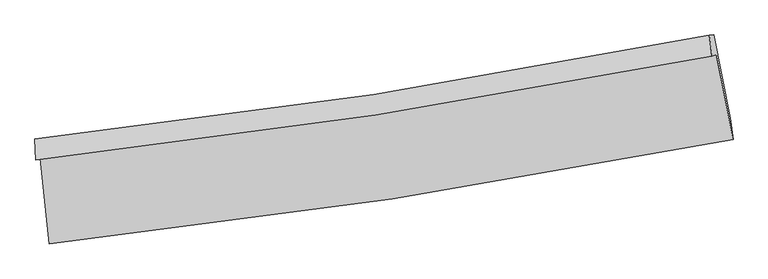
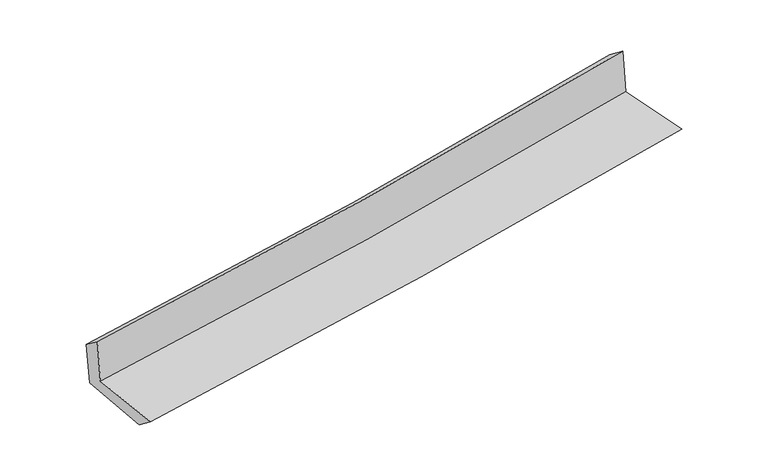
"""IFC4 building model written with IfcOpenShell, lengths in millimetres: proxy geometry."""

from ifc_helpers import new_model, si_unit, frame, origin, place, context, project, spatial, source, transform, mapped, element, save
from ifc_brep_helpers import plane_surface, spline_curve, spline_surface, advanced_brep


def generic_models_6c861321(model_context):
    return source(origin(), model_context, "Body", "AdvancedBrep", [
        advanced_brep(
        [(-2647.3760586, -1892.6438411, 1662.9977067), (-2577.0427878, -2553.9938935, 1649.6380121), (2722.9210808, -1742.2005071, 2115.3431774), (2593.7477459, -1084.6053257, 2123.656143), (-2680.5951324, -1904.173679, 2058.8789723), (2559.4709025, -1096.5022995, 2532.1431537), (-2687.28055, -1740.8241459, 1939.2861113), (2538.6523396, -933.2402587, 2408.6321487), (-2654.314984, -1739.5588898, 1558.6661981), (2574.0180703, -931.782968, 2010.7476847), (-2582.897582, -2393.0786452, 1523.4210467), (2702.6910872, -1576.7778435, 1980.5537963)],
        [
            (0, 1),
            (1, 2, spline_curve(3, [(-2577.0427878, -2553.9938935, 1649.6380121), (-1688.322919345, -2456.790812059, 1738.673141076), (-801.636557554, -2340.408967941, 1822.049457512), (965.005839886, -2069.695868036, 1977.250491627), (1844.974100751, -1915.479917025, 2049.109229943), (2722.9210808, -1742.2005071, 2115.3431774)], [4, 2, 4], [0.0, 8.7958920794811, 17.565303479097977])),
            (2, 3),
            (3, 0, spline_curve(3, [(2593.7477459, -1084.6053257, 2123.656143), (1727.244404288, -1254.710573798, 2047.223325362), (857.895153967, -1407.025087986, 1970.676757401), (-889.128900883, -1676.478866293, 1817.124633362), (-1766.820918622, -1793.510523719, 1740.118389087), (-2647.3760586, -1892.6438411, 1662.9977067)], [4, 2, 4], [0.0, 8.769411399616878, 17.565303479097977])),
            (4, 0),
            (3, 5),
            (5, 4, spline_curve(3, [(2559.4709025, -1096.5022995, 2532.1431537), (1692.932812697, -1266.619608007, 2456.124441231), (823.654043773, -1418.909659523, 2378.737924145), (-923.0180575, -1688.241279796, 2220.991470231), (-1800.427967036, -1805.175021653, 2140.623260075), (-2680.5951324, -1904.173679, 2058.8789723)], [4, 2, 4], [0.0, 8.720938432829175, 17.468211173427903])),
            (6, 4),
            (5, 7),
            (7, 6, spline_curve(3, [(2538.6523396, -933.2402587, 2408.6321487), (1675.472727666, -1106.898946057, 2330.820932326), (809.049942813, -1260.955087334, 2252.862340719), (-932.908070788, -1530.268281407, 2096.414553269), (-1808.462916055, -1645.406769356, 2017.924465515), (-2687.28055, -1740.8241459, 1939.2861113)], [4, 2, 4], [0.0, 8.709518998833541, 17.445337822577745])),
            (8, 6),
            (7, 9),
            (9, 8, spline_curve(3, [(2574.0180703, -931.782968, 2010.7476847), (1710.494405952, -1105.48023609, 1934.948922727), (843.699924732, -1259.571651252, 1859.432453044), (-899.057976383, -1528.948876619, 1708.736916786), (-1775.041180263, -1644.116102105, 1633.559557418), (-2654.314984, -1739.5588898, 1558.6661981)], [4, 2, 4], [0.0, 8.698785724072938, 17.423838862168292])),
            (10, 8),
            (9, 11),
            (11, 10, spline_curve(3, [(2702.6910872, -1576.7778435, 1980.5537963), (1828.762002838, -1752.441600764, 1903.82534231), (952.00004226, -1908.226009129, 1827.423655724), (-809.845712921, -2180.446515548, 1675.044096146), (-1694.946642043, -2296.762374371, 1599.068199521), (-2582.897582, -2393.0786452, 1523.4210467)], [4, 2, 4], [0.0, 8.747130500153705, 17.520674399331575])),
            (1, 10),
            (11, 2),
        ],
        [
            spline_surface(3, 3, [[(-2647.3760586, -1892.6438411, 1662.9977067), (-1766.820918722, -1793.510523673, 1740.118389039), (-889.128900885, -1676.478866193, 1817.124633342), (857.895153968, -1407.025088086, 1970.676757422), (1727.244404267, -1254.710573751, 2047.223325237), (2593.7477459, -1084.6053257, 2123.656143)], [(-2623.93163498, -2113.093858596, 1658.544475157), (-1740.65491887, -2014.603953213, 1739.636639718), (-859.964786403, -1897.78890007, 1818.76624143), (893.598715919, -1627.915348058, 1972.868002102), (1766.487636485, -1474.967021484, 2047.851960179), (2636.805524211, -1303.803719492, 2120.885154474)], [(-2600.48721142, -2333.543876004, 1654.091243643), (-1714.488919079, -2235.697382665, 1739.154890424), (-830.800671945, -2119.098934022, 1820.407849554), (929.302277845, -1848.805608105, 1975.059246817), (1805.73086867, -1695.223469243, 2048.480595099), (2679.863302489, -1523.002113308, 2118.114165926)], [(-2577.0427878, -2553.9938935, 1649.6380121), (-1688.322919226, -2456.790812204, 1738.673141102), (-801.636557464, -2340.408967899, 1822.049457642), (965.005839796, -2069.695868077, 1977.250491497), (1844.974100888, -1915.479916976, 2049.109230041), (2722.9210808, -1742.2005071, 2115.3431774)]], [4, 4], [4, 2, 4], [0.0, 2.1995452377968827], [0.0, 8.7958920794811, 17.565303479097977]),
            spline_surface(3, 3, [[(-2680.5951324, -1904.173679, 2058.8789723), (-1800.42796715, -1805.175021697, 2140.623259967), (-923.018057591, -1688.241279863, 2220.991470158), (823.654043864, -1418.909659456, 2378.737924217), (1692.932812593, -1266.619608151, 2456.124441124), (2559.4709025, -1096.5022995, 2532.1431537)], [(-2669.522107817, -1900.330399686, 1926.918550454), (-1789.225617691, -1801.286855675, 2007.121636345), (-911.721672028, -1684.320475332, 2086.369191218), (835.067747226, -1414.948135692, 2242.717535284), (1704.37000981, -1262.649930025, 2319.824069155), (2570.896516959, -1092.536641574, 2395.980816794)], [(-2658.449083183, -1896.487120414, 1794.958128546), (-1778.023268182, -1797.398689695, 1873.620012661), (-900.425286448, -1680.399670724, 1951.746912282), (846.481450606, -1410.98661185, 2106.697146355), (1715.807207049, -1258.680251877, 2183.523697206), (2582.322131441, -1088.570983626, 2259.818479906)], [(-2647.3760586, -1892.6438411, 1662.9977067), (-1766.820918722, -1793.510523673, 1740.118389039), (-889.128900885, -1676.478866193, 1817.124633342), (857.895153968, -1407.025088086, 1970.676757422), (1727.244404267, -1254.710573751, 2047.223325237), (2593.7477459, -1084.6053257, 2123.656143)]], [4, 4], [4, 2, 4], [0.0, 1.337125680210434], [0.0, 8.747272740598728, 17.468211173427903]),
            spline_surface(3, 3, [[(-2687.28055, -1740.8241459, 1939.2861113), (-1808.462916034, -1645.406769302, 2017.924465584), (-932.908070849, -1530.268281387, 2096.414553128), (809.049942873, -1260.955087354, 2252.86234086), (1675.472727527, -1106.898946198, 2330.820932467), (2538.6523396, -933.2402587, 2408.6321487)], [(-2685.052077453, -1795.273990253, 1979.150398296), (-1805.784599726, -1698.66285342, 2058.824063707), (-929.611399786, -1582.925947541, 2137.94019216), (813.917976513, -1313.606611383, 2294.820868668), (1681.292755888, -1160.139166819, 2372.588768708), (2545.591860572, -987.660938936, 2449.802483722)], [(-2682.823604947, -1849.723834647, 2019.014685304), (-1803.106283458, -1751.918937579, 2099.723661844), (-926.314728653, -1635.583613709, 2179.465831126), (818.786010223, -1366.258135427, 2336.77939641), (1687.112784232, -1213.379387531, 2414.356604882), (2552.531381528, -1042.081619264, 2490.972818678)], [(-2680.5951324, -1904.173679, 2058.8789723), (-1800.42796715, -1805.175021697, 2140.623259967), (-923.018057591, -1688.241279863, 2220.991470158), (823.654043864, -1418.909659456, 2378.737924217), (1692.932812593, -1266.619608151, 2456.124441124), (2559.4709025, -1096.5022995, 2532.1431537)]], [4, 4], [4, 2, 4], [0.0, 0.6625632235149033], [0.0, 8.735818823744204, 17.445337822577745]),
            spline_surface(3, 3, [[(-2654.314984, -1739.5588898, 1558.6661981), (-1775.041180155, -1644.116102218, 1633.559557503), (-899.057976514, -1528.948876732, 1708.736916777), (843.699924863, -1259.57165114, 1859.432453053), (1710.494406041, -1105.480236075, 1934.948922689), (2574.0180703, -931.782968, 2010.7476847)], [(-2665.303506021, -1739.980641832, 1685.539502478), (-1786.181758803, -1644.546324579, 1761.681193508), (-910.34134127, -1529.388678263, 1837.962795537), (832.149930889, -1260.032796524, 1990.575748965), (1698.820513222, -1105.953139475, 2066.906259273), (2562.229493418, -932.268731592, 2143.375839358)], [(-2676.292027979, -1740.402393868, 1812.412806922), (-1797.322337386, -1644.976546942, 1889.802829579), (-921.624706093, -1529.828479855, 1967.188674368), (820.599936847, -1260.493941969, 2121.719044949), (1687.146620347, -1106.426042798, 2198.863595883), (2550.440916482, -932.754495108, 2276.003994042)], [(-2687.28055, -1740.8241459, 1939.2861113), (-1808.462916034, -1645.406769302, 2017.924465584), (-932.908070849, -1530.268281387, 2096.414553128), (809.049942873, -1260.955087354, 2252.86234086), (1675.472727527, -1106.898946198, 2330.820932467), (2538.6523396, -933.2402587, 2408.6321487)]], [4, 4], [4, 2, 4], [0.0, 1.2862410261846708], [0.0, 8.725053138095355, 17.423838862168292]),
            spline_surface(3, 3, [[(-2582.897582, -2393.0786452, 1523.4210467), (-1694.946642036, -2296.76237445, 1599.068199619), (-809.845712954, -2180.446515537, 1675.04409611), (952.000042293, -1908.22600914, 1827.42365576), (1828.762002911, -1752.44160076, 1903.825342437), (2702.6910872, -1576.7778435, 1980.5537963)], [(-2606.703382638, -2175.238726764, 1535.169430529), (-1721.644821381, -2079.21361707, 1610.565318943), (-839.583134142, -1963.280635952, 1686.275036336), (915.900003148, -1692.007889823, 1838.093254862), (1789.339470606, -1536.787812507, 1914.199869179), (2659.800081552, -1361.779551643, 1990.618425758)], [(-2630.509183362, -1957.398808236, 1546.917814271), (-1748.34300081, -1861.664859599, 1622.062438179), (-869.320555326, -1746.114756316, 1697.505976551), (879.799964008, -1475.789770456, 1848.762853951), (1749.916938346, -1321.134024327, 1924.574395948), (2616.909075948, -1146.781259857, 2000.683055242)], [(-2654.314984, -1739.5588898, 1558.6661981), (-1775.041180155, -1644.116102218, 1633.559557503), (-899.057976514, -1528.948876732, 1708.736916777), (843.699924863, -1259.57165114, 1859.432453053), (1710.494406041, -1105.480236075, 1934.948922689), (2574.0180703, -931.782968, 2010.7476847)]], [4, 4], [4, 2, 4], [0.0, 2.159956137055927], [0.0, 8.77354389917787, 17.520674399331575]),
            spline_surface(3, 3, [[(-2577.0427878, -2553.9938935, 1649.6380121), (-1688.322919226, -2456.790812204, 1738.673141102), (-801.636557464, -2340.408967899, 1822.049457642), (965.005839796, -2069.695868077, 1977.250491497), (1844.974100888, -1915.479916976, 2049.109230041), (2722.9210808, -1742.2005071, 2115.3431774)], [(-2578.994385891, -2500.355477369, 1607.565690286), (-1690.530826854, -2403.447999589, 1692.138160594), (-804.372942627, -2287.088150452, 1773.047670476), (960.670573961, -2015.872581771, 1927.308212929), (1839.570068216, -1861.1338116, 2000.681267501), (2716.177749587, -1687.059619263, 2070.413383694)], [(-2580.945983909, -2446.717061331, 1565.493368514), (-1692.738734409, -2350.105187066, 1645.603180127), (-807.10932779, -2233.767332985, 1724.045883276), (956.335308127, -1962.049295445, 1877.365934328), (1834.166035582, -1806.787706136, 1952.253304978), (2709.434418413, -1631.918731337, 2025.483590006)], [(-2582.897582, -2393.0786452, 1523.4210467), (-1694.946642036, -2296.76237445, 1599.068199619), (-809.845712954, -2180.446515537, 1675.04409611), (952.000042293, -1908.22600914, 1827.42365576), (1828.762002911, -1752.44160076, 1903.825342437), (2702.6910872, -1576.7778435, 1980.5537963)]], [4, 4], [4, 2, 4], [0.0, 0.7185517474299403], [0.0, 8.832877655761108, 17.639163283861066]),
            plane_surface(frame((2615.2502044, -1227.5182004, 2195.1793506), z_axis=(0.9776846753006019, 0.19094204984169388, 0.08760028130439267), x_axis=(-0.08853478674608779, -0.003648190657481418, 0.9960664045337296))),
            plane_surface(frame((-2638.2511825, -2037.3788491, 1732.1480079), z_axis=(-0.9908758917750745, -0.10363711510091428, -0.08616446757516034), x_axis=(-0.10573035513331529, 0.9941920098494134, 0.02008331533803878))),
        ],
        [
            (0, [[1, 2, 3, 4]]),
            (1, [[5, -4, 6, 7]]),
            (2, [[8, -7, 9, 10]]),
            (3, [[11, -10, 12, 13]]),
            (4, [[14, -13, 15, 16]]),
            (5, [[17, -16, 18, -2]]),
            (6, [[-12, -9, -6, -3, -18, -15]]),
            (7, [[-1, -5, -8, -11, -14, -17]]),
        ],
    ),
    ])


if __name__ == "__main__":
    model = new_model("IFC4")
    model_context = context("Model", 3, world=origin())
    ifc_project = project(units=[si_unit("LENGTHUNIT", "METRE", prefix="MILLI")], contexts=[model_context])
    site = spatial("IfcSite", under=ifc_project)
    building = spatial("IfcBuilding", under=site)
    placement = place(None, origin())
    generic_models_shape = generic_models_6c861321(model_context)
    element("IfcBuildingElementProxy", 1, Name="Generic Models", at=placement, inside=building, context=model_context, shape_type="MappedRepresentation", body=[
        mapped(generic_models_shape, transform((0.0, 0.0, 0.0), x_axis=(1.0, 0.0, 0.0), y_axis=(0.0, 1.0, 0.0), z_axis=(0.0, 0.0, 1.0))),
    ])
    save(model, "model.ifc")
